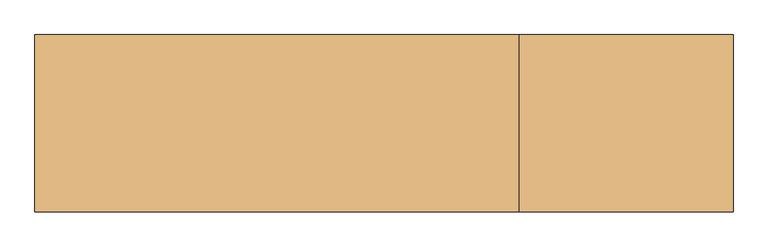
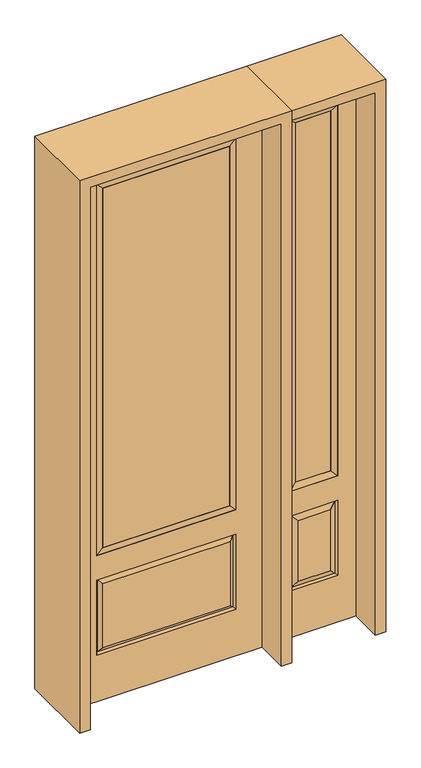
"""IFC4 building model written with IfcOpenShell, lengths in millimetres: door geometry."""

from ifc_helpers import new_model, si_unit, frame, origin, place, context, project, spatial, polyline, outline, extrude, faceted_brep, source, transform, mapped, element, save


def door_f26c94be(model_context):
    return source(origin(), model_context, "Body", "SolidModel", [
        faceted_brep([(450.85, -22.225, 0.0), (806.45, -22.225, 0.0), (806.45, -22.225, 2438.4), (450.85, -22.225, 2438.4), (728.98, -22.225, 2325.624), (728.98, -22.225, 657.098), (528.32, -22.225, 657.098), (528.32, -22.225, 2325.624), (728.98, -22.225, 209.55), (528.32, -22.225, 209.55), (528.32, -22.225, 546.1), (728.98, -22.225, 546.1), (560.0351001, -22.225, 241.2651001), (697.2648999, -22.225, 241.2651001), (697.2648999, -22.225, 514.3848999), (560.0351001, -22.225, 514.3848999), (450.85, 22.225, 0.0), (450.85, 22.225, 2438.4), (806.45, 22.225, 2438.4), (806.45, 22.225, 0.0), (728.98, 22.225, 2325.624), (528.32, 22.225, 2325.624), (528.32, 22.225, 657.098), (728.98, 22.225, 657.098), (528.32, 22.225, 209.55), (728.98, 22.225, 209.55), (728.98, 22.225, 546.1), (528.32, 22.225, 546.1), (697.2648999, 22.225, 241.2651001), (560.0351001, 22.225, 241.2651001), (560.0351001, 22.225, 514.3848999), (697.2648999, 22.225, 514.3848999), (721.8711499, 12.7912373, 216.6588501), (535.4288501, 12.7912373, 216.6588501), (535.4288501, 12.7912373, 538.9911499), (721.8711499, 12.7912373, 538.9911499), (535.4288501, -12.7912373, 216.6588501), (721.8711499, -12.7912373, 216.6588501), (535.4288501, -12.7912373, 538.9911499), (721.8711499, -12.7912373, 538.9911499)], [[[0, 1, 2, 3], [4, 5, 6, 7], [8, 9, 10, 11]], [[12, 13, 14, 15]], [[16, 17, 18, 19], [20, 21, 22, 23], [24, 25, 26, 27]], [[28, 29, 30, 31]], [[1, 0, 16, 19]], [[2, 1, 19, 18]], [[3, 2, 18, 17]], [[0, 3, 17, 16]], [[5, 4, 20, 23]], [[6, 5, 23, 22]], [[7, 6, 22, 21]], [[4, 7, 21, 20]], [[32, 33, 29, 28]], [[33, 32, 25, 24]], [[29, 33, 34, 30]], [[33, 24, 27, 34]], [[30, 34, 35, 31]], [[34, 27, 26, 35]], [[32, 28, 31, 35]], [[25, 32, 35, 26]], [[12, 36, 37, 13]], [[37, 36, 9, 8]], [[36, 12, 15, 38]], [[9, 36, 38, 10]], [[38, 15, 14, 39]], [[10, 38, 39, 11]], [[13, 37, 39, 14]], [[37, 8, 11, 39]]]),
        faceted_brep([(528.32, 22.225, 2325.624), (528.32, -22.225, 2325.624), (728.98, -22.225, 2325.624), (728.98, 22.225, 2325.624), (553.72, 12.7, 2300.224), (703.58, 12.7, 2300.224), (553.72, -12.7, 2300.224), (703.58, -12.7, 2300.224), (728.98, -22.225, 657.098), (728.98, 22.225, 657.098), (703.58, 12.7, 682.498), (703.58, -12.7, 682.498), (528.32, -22.225, 657.098), (528.32, 22.225, 657.098), (553.72, 12.7, 682.498), (553.72, -12.7, 682.498)], [[[0, 1, 2, 3]], [[4, 0, 3, 5]], [[6, 4, 5, 7]], [[1, 6, 7, 2]], [[3, 2, 8, 9]], [[5, 3, 9, 10]], [[7, 5, 10, 11]], [[2, 7, 11, 8]], [[9, 8, 12, 13]], [[10, 9, 13, 14]], [[11, 10, 14, 15]], [[8, 11, 15, 12]], [[13, 12, 1, 0]], [[14, 13, 0, 4]], [[15, 14, 4, 6]], [[12, 15, 6, 1]]]),
        extrude(outline(polyline([(703.58, -12.7), (553.72, -12.7), (553.72, 12.7), (703.58, 12.7), (703.58, -12.7)])), frame((0.0, 0.0, 682.498), z_axis=(0.0, 0.0, 1.0), x_axis=(1.0, 0.0, 0.0)), (0.0, 0.0, 1.0), 1617.726),
        extrude(outline(polyline([(269.875, -20.32), (-269.875, -20.32), (-269.875, 5.08), (269.875, 5.08), (269.875, -20.32)])), frame((0.0, 0.0, 682.498), z_axis=(0.0, 0.0, 1.0), x_axis=(1.0, 0.0, 0.0)), (0.0, 0.0, 1.0), 1616.202),
        faceted_brep([(-288.1661499, -12.7912373, 216.6588501), (288.1661499, -12.7912373, 216.6588501), (270.66875, -22.225, 234.15625), (-270.66875, -22.225, 234.15625), (-295.275, -22.225, 209.55), (295.275, -22.225, 209.55), (-288.1661499, -12.7912373, 538.9911499), (-295.275, -22.225, 546.1), (270.66875, -22.225, 521.49375), (-270.66875, -22.225, 521.49375), (406.4, -22.225, 2438.4), (-406.4, -22.225, 2438.4), (-406.4, -22.225, 0.0), (406.4, -22.225, 0.0), (295.275, -22.225, 546.1), (295.275, -22.225, 2324.1), (295.275, -22.225, 657.098), (-295.275, -22.225, 657.098), (-295.275, -22.225, 2324.1), (288.1661499, -12.7912373, 538.9911499), (-406.4, 22.225, 2438.4), (-406.4, 22.225, 0.0), (406.4, 22.225, 0.0), (406.4, 22.225, 2438.4), (295.275, 22.225, 2324.1), (295.275, 22.225, 657.098), (-295.275, 22.225, 657.098), (-295.275, 22.225, 2324.1), (-295.275, 22.225, 209.55), (295.275, 22.225, 209.55), (295.275, 22.225, 546.1), (-295.275, 22.225, 546.1), (270.66875, 22.225, 234.15625), (-270.66875, 22.225, 234.15625), (-270.66875, 22.225, 521.49375), (270.66875, 22.225, 521.49375), (-288.1661499, 12.7912373, 216.6588501), (288.1661499, 12.7912373, 216.6588501), (288.1661499, 12.7912373, 538.9911499), (-288.1661499, 12.7912373, 538.9911499)], [[[0, 1, 2, 3]], [[1, 0, 4, 5]], [[4, 0, 6, 7]], [[3, 2, 8, 9]], [[10, 11, 12, 13], [5, 4, 7, 14], [15, 16, 17, 18]], [[1, 5, 14, 19]], [[2, 1, 19, 8]], [[0, 3, 9, 6]], [[7, 6, 19, 14]], [[6, 9, 8, 19]], [[12, 11, 20, 21]], [[13, 12, 21, 22]], [[10, 13, 22, 23]], [[16, 15, 24, 25]], [[17, 16, 25, 26]], [[18, 17, 26, 27]], [[23, 22, 21, 20], [28, 29, 30, 31], [24, 27, 26, 25]], [[32, 33, 34, 35]], [[28, 36, 37, 29]], [[29, 37, 38, 30]], [[39, 31, 30, 38]], [[36, 28, 31, 39]], [[37, 36, 33, 32]], [[33, 36, 39, 34]], [[34, 39, 38, 35]], [[37, 32, 35, 38]], [[11, 10, 23, 20]], [[15, 18, 27, 24]]]),
        faceted_brep([(-295.275, -22.225, 2324.1), (-295.275, 22.225, 2324.1), (-295.275, 22.225, 657.098), (-295.275, -22.225, 657.098), (295.275, 22.225, 657.098), (295.275, -22.225, 657.098), (-269.875, 5.08, 682.498), (269.875, 5.08, 682.498), (295.275, 22.225, 2324.1), (295.275, -22.225, 2324.1), (-269.875, -20.32, 682.498), (269.875, -20.32, 682.498), (-269.875, -20.32, 2298.7), (269.875, -20.32, 2298.7), (-269.875, 5.08, 2298.7), (269.875, 5.08, 2298.7)], [[[0, 1, 2, 3]], [[3, 2, 4, 5]], [[2, 6, 7, 4]], [[5, 4, 8, 9]], [[10, 3, 5, 11]], [[12, 0, 3, 10]], [[11, 5, 9, 13]], [[6, 10, 11, 7]], [[14, 12, 10, 6]], [[7, 11, 13, 15]], [[1, 14, 6, 2]], [[4, 7, 15, 8]], [[9, 8, 1, 0]], [[13, 9, 0, 12]], [[15, 13, 12, 14]], [[8, 15, 14, 1]]]),
        extrude(outline(polyline([(2482.85, -450.85), (0.0, -450.85), (0.0, -406.4), (2438.4, -406.4), (2438.4, 406.4), (0.0, 406.4), (0.0, 450.85), (2482.85, 450.85), (2482.85, -450.85)])), frame((0.0, -165.1, 0.0), z_axis=(0.0, 1.0, 0.0), x_axis=(0.0, 0.0, 1.0)), (0.0, 0.0, 1.0), 330.2),
        extrude(outline(polyline([(0.0, 806.45), (0.0, 850.9), (2482.85, 850.9), (2482.85, 450.85), (2438.4, 450.85), (2438.4, 806.45), (0.0, 806.45)])), frame((0.0, -165.1, 0.0), z_axis=(0.0, 1.0, 0.0), x_axis=(0.0, 0.0, 1.0)), (0.0, 0.0, 1.0), 330.2),
    ])


if __name__ == "__main__":
    model = new_model("IFC4")
    model_context = context("Model", 3, world=origin())
    ifc_project = project(units=[si_unit("LENGTHUNIT", "METRE", prefix="MILLI")], contexts=[model_context])
    site = spatial("IfcSite", under=ifc_project)
    building = spatial("IfcBuilding", under=site)
    placement = place(None, origin())
    door_shape = door_f26c94be(model_context)
    element("IfcDoor", 1, at=placement, inside=building, context=model_context, shape_type="MappedRepresentation", body=[
        mapped(door_shape, transform((0.0, 0.0, 0.0), x_axis=(1.0, 0.0, 0.0), y_axis=(0.0, 1.0, 0.0), z_axis=(0.0, 0.0, 1.0))),
    ])
    save(model, "model.ifc")
